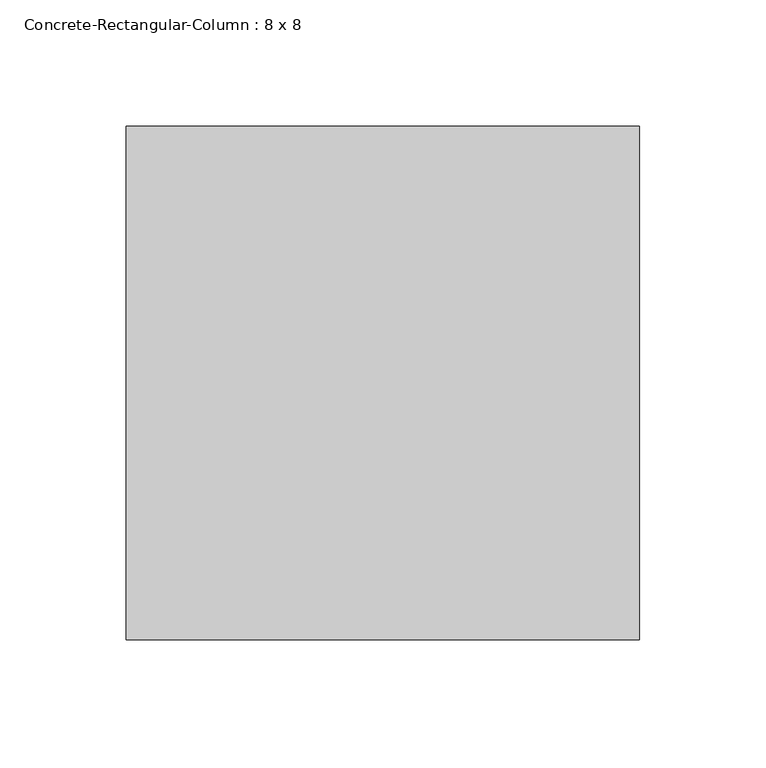
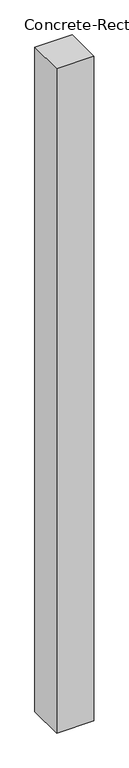
"""IFC4 building model written with IfcOpenShell, lengths in millimetres: column geometry, Concrete-Rectangular-Column : 8 x 8."""

import ifcopenshell
import ifcopenshell.guid

model = None  # the IFC model being written
_history = None  # IfcOwnerHistory: only IFC2X3 demands one
_inside = {}  # id of a spatial element -> (the spatial element, [elements in it])
_under = {}  # id of a project, library or spatial element -> (it, [spatial elements below it])
_declared = {}  # id of a project -> (the project, [libraries it declares])
_typed = {}  # id of a type object -> (the type object, [elements of that type])
_made_of = {}  # id of a material, layer set ... -> (it, [elements and type objects made of it])


def new_model(schema):
    """Start an empty IFC model of exactly this schema.

    Asked for "IFC4X3", IfcOpenShell would pick the latest addendum, in which some entities
    have other attributes; the version numbers below select the first issue.
    IFC2X3 requires an IfcOwnerHistory on every rooted entity: one is made here for all.
    """
    global model, _history
    if schema == "IFC4X3":
        model = ifcopenshell.file(schema_version=(4, 3, 0, 0))
    else:
        model = ifcopenshell.file(schema=schema)
    _inside.clear()
    _under.clear()
    _declared.clear()
    _typed.clear()
    _made_of.clear()
    _history = None
    if model.schema == "IFC2X3":
        org = make("IfcOrganization", Name="unknown")
        user = make(
            "IfcPersonAndOrganization",
            ThePerson=make("IfcPerson", FamilyName="unknown"),
            TheOrganization=org,
        )
        app = make(
            "IfcApplication",
            ApplicationDeveloper=org,
            Version="unknown",
            ApplicationFullName="unknown",
            ApplicationIdentifier="unknown",
        )
        _history = make(
            "IfcOwnerHistory",
            OwningUser=user,
            OwningApplication=app,
            ChangeAction="ADDED",
            CreationDate=0,
        )
    return model


def make(cls, **values):
    """One entity of the class cls with the attributes given. An attribute that is None is left unset."""
    return model.create_entity(
        cls, **{name: value for name, value in values.items() if value is not None}
    )


def rooted(cls, **values):
    """An entity with a GlobalId (a new one), such as an element, a storey or a relation."""
    return make(cls, GlobalId=ifcopenshell.guid.new(), OwnerHistory=_history, **values)


def si_unit(unit_type, name, prefix=None):
    """IfcSIUnit, for example si_unit("LENGTHUNIT", "METRE", prefix="MILLI")."""
    return make("IfcSIUnit", UnitType=unit_type, Prefix=prefix, Name=name)


def assignment(units):
    """IfcUnitAssignment: the units of a project."""
    return None if units is None else make("IfcUnitAssignment", Units=units)


def point(xyz):
    """IfcCartesianPoint."""
    return None if xyz is None else make("IfcCartesianPoint", Coordinates=xyz)


def direction(xyz):
    """IfcDirection."""
    return None if xyz is None else make("IfcDirection", DirectionRatios=xyz)


def frame(location, z_axis=None, x_axis=None):
    """IfcAxis2Placement3D, a coordinate frame: its origin and axes. An axis left out is left unset."""
    return make(
        "IfcAxis2Placement3D",
        Location=point(location),
        Axis=direction(z_axis),
        RefDirection=direction(x_axis),
    )


def origin():
    """The frame at (0, 0, 0) with its axes left unset."""
    return frame((0.0, 0.0, 0.0))


def origin_with_axes():
    """The frame at (0, 0, 0) with the z axis (0, 0, 1) and the x axis (1, 0, 0) written out."""
    return frame((0.0, 0.0, 0.0), z_axis=(0.0, 0.0, 1.0), x_axis=(1.0, 0.0, 0.0))


def place(relative_to, where):
    """IfcLocalPlacement: puts the frame where relative to a parent placement (None: the world)."""
    return make(
        "IfcLocalPlacement", PlacementRelTo=relative_to, RelativePlacement=where
    )


def context(
    kind, dimensions, precision=None, world=None, true_north=None, identifier=None
):
    """IfcGeometricRepresentationContext, for example the 3D "Model" context."""
    return make(
        "IfcGeometricRepresentationContext",
        ContextIdentifier=identifier,
        ContextType=kind,
        CoordinateSpaceDimension=dimensions,
        Precision=precision,
        WorldCoordinateSystem=world,
        TrueNorth=true_north,
    )


def project(units=None, contexts=None):
    """IfcProject with its units and contexts."""
    return rooted(
        "IfcProject",
        Name="project",
        RepresentationContexts=contexts,
        UnitsInContext=assignment(units),
    )


def spatial(cls, under=None, at=None, **own):
    """A site, building, storey or space (cls), placed at a placement, below another one or the project."""
    s = rooted(cls, ObjectPlacement=at, **own)
    if under is not None:
        _under.setdefault(under.id(), (under, []))[1].append(s)
    return s


def polyline(points):
    """IfcPolyline through the points."""
    return make("IfcPolyline", Points=[point(p) for p in points])


def outline(outer, holes=None, kind="AREA"):
    """IfcArbitraryClosedProfileDef: a profile drawn as a closed curve; with holes, ...WithVoids."""
    if holes is None:
        return make("IfcArbitraryClosedProfileDef", ProfileType=kind, OuterCurve=outer)
    return make(
        "IfcArbitraryProfileDefWithVoids",
        ProfileType=kind,
        OuterCurve=outer,
        InnerCurves=holes,
    )


def extrude(swept, where, along, depth):
    """IfcExtrudedAreaSolid: the profile swept, set in the frame where, extruded along a direction by depth."""
    return make(
        "IfcExtrudedAreaSolid",
        SweptArea=swept,
        Position=where,
        ExtrudedDirection=direction(along),
        Depth=depth,
    )


def shape(context_of_items, identifier, shape_type, items):
    """IfcShapeRepresentation: the items that make up one representation, for example the "Body"."""
    return make(
        "IfcShapeRepresentation",
        ContextOfItems=context_of_items,
        RepresentationIdentifier=identifier,
        RepresentationType=shape_type,
        Items=items,
    )


def source(mapping_origin, context_of_items, identifier, shape_type, items):
    """IfcRepresentationMap: a shape defined once, which mapped items show again and again."""
    return make(
        "IfcRepresentationMap",
        MappingOrigin=mapping_origin,
        MappedRepresentation=shape(context_of_items, identifier, shape_type, items),
    )


def transform(
    local_origin,
    x_axis=None,
    y_axis=None,
    z_axis=None,
    scale=None,
    scale2=None,
    scale3=None,
    uniform=True,
):
    """IfcCartesianTransformationOperator3D, or its non-uniform kind. x_axis, y_axis, z_axis: its Axis1, 2, 3."""
    if uniform:
        return make(
            "IfcCartesianTransformationOperator3D",
            Axis1=direction(x_axis),
            Axis2=direction(y_axis),
            LocalOrigin=point(local_origin),
            Scale=scale,
            Axis3=direction(z_axis),
        )
    return make(
        "IfcCartesianTransformationOperator3DnonUniform",
        Axis1=direction(x_axis),
        Axis2=direction(y_axis),
        LocalOrigin=point(local_origin),
        Scale=scale,
        Axis3=direction(z_axis),
        Scale2=scale2,
        Scale3=scale3,
    )


def mapped(mapping_source, mapping_target):
    """IfcMappedItem: shows the shape of a source again, moved by a transform."""
    return make(
        "IfcMappedItem", MappingSource=mapping_source, MappingTarget=mapping_target
    )


def made_of(thing, what):
    """Note that an element or type object is made of a material, layer set ...; save() writes the relation."""
    if what is not None:
        _made_of.setdefault(what.id(), (what, []))[1].append(thing)
    return thing


def element(
    cls,
    number,
    at=None,
    inside=None,
    cuts=None,
    type_object=None,
    material=None,
    context=None,
    identifier="Body",
    shape_type=None,
    held_by="IfcProductDefinitionShape",
    body=None,
    shapes=None,
    **own,
):
    """One element of the class cls, such as IfcWall. Its Tag is "e" and its number.

    at: its placement. inside: the storey or other place that contains it. cuts: it is an
    opening in that element (IfcRelVoidsElement). A single representation is given by context,
    identifier, shape_type and body (its items); several are given by shapes. held_by: the class
    of the entity that holds the representations. save() writes the other relations.
    """
    e = rooted(cls, Tag="e%d" % number, ObjectPlacement=at, **own)
    if body is not None:
        shapes = [shape(context, identifier, shape_type, body)]
    if shapes is not None:
        e.Representation = make(held_by, Representations=shapes)
    if inside is not None:
        _inside.setdefault(inside.id(), (inside, []))[1].append(e)
    if cuts is not None:
        rooted(
            "IfcRelVoidsElement", RelatingBuildingElement=cuts, RelatedOpeningElement=e
        )
    if type_object is not None:
        _typed.setdefault(type_object.id(), (type_object, []))[1].append(e)
    return made_of(e, material)


def aggregate(whole, parts):
    """IfcRelAggregates: a whole, such as a stair, and the parts it consists of."""
    return rooted("IfcRelAggregates", RelatingObject=whole, RelatedObjects=parts)


def save(model, path):
    """Write the relations noted so far, then the file.

    IfcRelAggregates (storeys below a building ...), IfcRelContainedInSpatialStructure (elements
    in a storey), IfcRelDefinesByType, IfcRelAssociatesMaterial and IfcRelDeclares: one each for
    every whole, place, type object, material and project.
    """
    for whole, parts in _under.values():
        aggregate(whole, parts)
    for where, things in _inside.values():
        rooted(
            "IfcRelContainedInSpatialStructure",
            RelatedElements=things,
            RelatingStructure=where,
        )
    for kind, things in _typed.values():
        rooted("IfcRelDefinesByType", RelatedObjects=things, RelatingType=kind)
    for what, things in _made_of.values():
        rooted("IfcRelAssociatesMaterial", RelatedObjects=things, RelatingMaterial=what)
    for by, libraries in _declared.values():
        rooted("IfcRelDeclares", RelatingContext=by, RelatedDefinitions=libraries)
    model.write(path)


def concrete_rectangular_column_8_x_8_cc1d8254(model_context):
    return source(origin(), model_context, "Body", "SweptSolid", [
        extrude(outline(polyline([(101.6, -101.6), (-101.6, -101.6), (-101.6, 101.6), (101.6, 101.6), (101.6, -101.6)])), origin_with_axes(), (0.0, 0.0, 1.0), 3810.0),
    ])


if __name__ == "__main__":
    model = new_model("IFC4")
    model_context = context("Model", 3, world=origin())
    ifc_project = project(units=[si_unit("LENGTHUNIT", "METRE", prefix="MILLI")], contexts=[model_context])
    site = spatial("IfcSite", under=ifc_project)
    building = spatial("IfcBuilding", under=site)
    placement = place(None, origin())
    concrete_rectangular_column_8_x_8_shape = concrete_rectangular_column_8_x_8_cc1d8254(model_context)
    element("IfcColumn", 1, ObjectType="Concrete-Rectangular-Column : 8 x 8", at=placement, inside=building, context=model_context, shape_type="MappedRepresentation", body=[
        mapped(concrete_rectangular_column_8_x_8_shape, transform((0.0, 0.0, 0.0), x_axis=(1.0, 0.0, 0.0), y_axis=(0.0, 1.0, 0.0), z_axis=(0.0, 0.0, 1.0))),
    ])
    save(model, "model.ifc")
